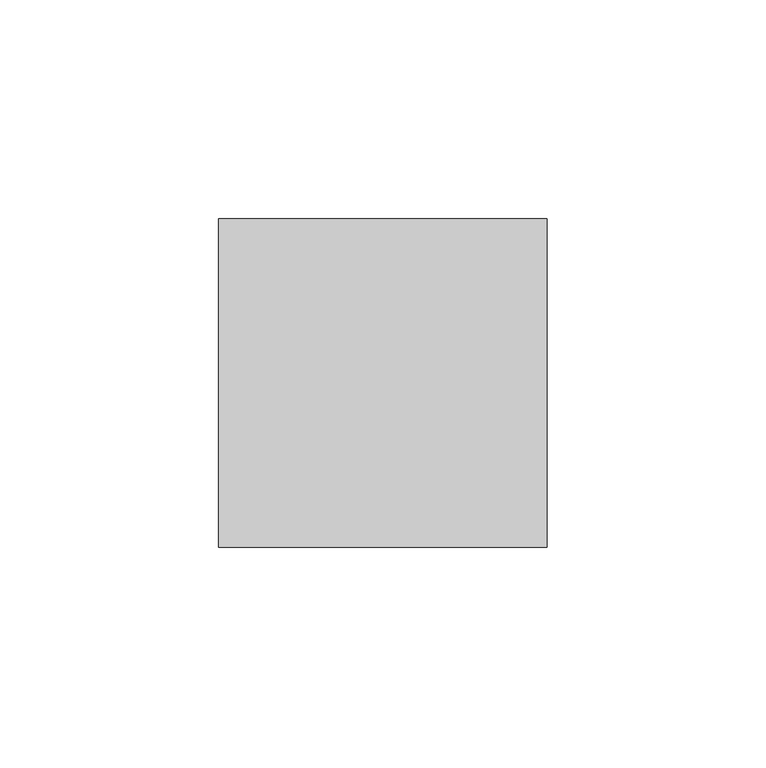
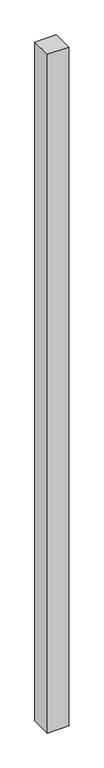
"""IFC4 building model written with IfcOpenShell, lengths in millimetres: member geometry."""

from ifc_helpers import new_model, si_unit, frame, origin, place, context, project, spatial, polyline, outline, extrude, source, transform, mapped, element, save


def member_2f08fddb(model_context):
    return source(origin(), model_context, "Body", "SweptSolid", [
        extrude(outline(polyline([(-37.5, 37.5), (37.5, 37.5), (37.5, -37.5), (-37.5, -37.5), (-37.5, 37.5)])), frame((0.0, 0.0, -2500.0), z_axis=(0.0, 0.0, 1.0), x_axis=(1.0, 0.0, 0.0)), (0.0, 0.0, 1.0), 2500.0),
    ])


if __name__ == "__main__":
    model = new_model("IFC4")
    model_context = context("Model", 3, world=origin())
    ifc_project = project(units=[si_unit("LENGTHUNIT", "METRE", prefix="MILLI")], contexts=[model_context])
    site = spatial("IfcSite", under=ifc_project)
    building = spatial("IfcBuilding", under=site)
    placement = place(None, origin())
    member_shape = member_2f08fddb(model_context)
    element("IfcMember", 1, at=placement, inside=building, context=model_context, shape_type="MappedRepresentation", body=[
        mapped(member_shape, transform((0.0, 0.0, 0.0), x_axis=(1.0, 0.0, 0.0), y_axis=(0.0, 1.0, 0.0), z_axis=(0.0, 0.0, 1.0))),
    ])
    save(model, "model.ifc")
